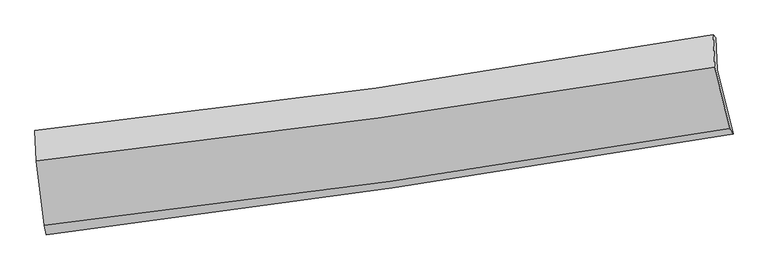
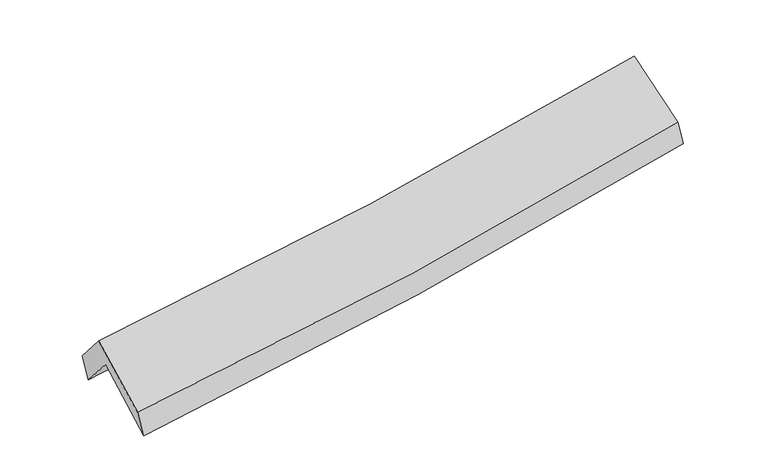
"""IFC4 building model written with IfcOpenShell, lengths in millimetres: proxy geometry."""

from ifc_helpers import new_model, si_unit, frame, origin, place, context, project, spatial, source, transform, mapped, element, save
from ifc_brep_helpers import plane_surface, spline_curve, spline_surface, advanced_brep


def generic_models_e724b320(model_context):
    return source(origin(), model_context, "Body", "AdvancedBrep", [
        advanced_brep(
        [(-2693.9305361, -2501.2873757, 1474.3195098), (-2758.2055916, -1993.678139, 1893.2131351), (2693.8516346, -1173.2712602, 2362.3824202), (2820.4180468, -1691.567574, 1945.9019499), (-2770.1695824, -1733.5614351, 1585.0513943), (2682.6609554, -915.8943335, 2041.33047), (-2785.0018203, -1662.3286656, 1788.7314315), (2660.5521707, -893.8280343, 2229.911892), (-2773.6671407, -1908.7631169, 2080.6837296), (2673.4171259, -1153.1403428, 2537.1299123), (-2708.3655195, -2427.6314717, 1662.4476406), (2794.159213, -1648.7112335, 2141.7190078)],
        [
            (0, 1),
            (1, 2, spline_curve(3, [(-2758.2055916, -1993.678139, 1893.2131351), (-1841.635288352, -1866.991673308, 1943.408201874), (-927.154522114, -1734.978614395, 2007.821916695), (890.163838361, -1461.422859723, 2164.443367127), (1793.035480591, -1319.966958999, 2256.419413629), (2693.8516346, -1173.2712602, 2362.3824202)], [4, 2, 4], [0.0, 9.165508833680564, 18.256036386484457])),
            (2, 3),
            (3, 0, spline_curve(3, [(2820.4180468, -1691.567574, 1945.9019499), (1911.844851998, -1845.336031403, 1836.721278983), (999.930365758, -1989.459546815, 1742.930344112), (-838.130481352, -2259.525912065, 1585.481272701), (-1764.332189481, -2385.308997197, 1522.078060478), (-2693.9305361, -2501.2873757, 1474.3195098)], [4, 2, 4], [0.0, 9.090527552803893, 18.256036386484457])),
            (1, 4),
            (4, 5, spline_curve(3, [(-2770.1695824, -1733.5614351, 1585.0513943), (-1853.135269715, -1610.013632561, 1630.996561989), (-938.358478653, -1479.793653502, 1692.211029069), (879.214915226, -1207.129231928, 1844.552862815), (1782.048303222, -1064.793510325, 1935.431420869), (2682.6609554, -915.8943335, 2041.33047)], [4, 2, 4], [0.0, 9.115309763189922, 18.156048914531212])),
            (5, 2),
            (4, 6),
            (6, 7, spline_curve(3, [(-2785.0018203, -1662.3286656, 1788.7314315), (-1868.931706642, -1563.624424869, 1844.573987286), (-955.246405092, -1449.906139471, 1909.448248381), (859.899398873, -1193.49461299, 2056.655570594), (1761.398760958, -1051.046021478, 2138.841462998), (2660.5521707, -893.8280343, 2229.911892)], [4, 2, 4], [0.0, 9.10197606082946, 18.129490590287972])),
            (7, 5),
            (6, 8),
            (8, 9, spline_curve(3, [(-2773.6671407, -1908.7631169, 2080.6837296), (-1857.748616884, -1803.534190277, 2128.852585667), (-944.010225968, -1687.648949272, 2191.188370497), (871.649005, -1435.601049679, 2343.567943982), (1773.605369593, -1299.612032888, 2433.380886578), (2673.4171259, -1153.1403428, 2537.1299123)], [4, 2, 4], [0.0, 9.09033184376962, 18.106297415288743])),
            (9, 7),
            (8, 10),
            (10, 11, spline_curve(3, [(-2708.3655195, -2427.6314717, 1662.4476406), (-1780.697522987, -2321.212817197, 1710.13469499), (-856.450457161, -2202.7777192, 1774.148324065), (977.668710651, -1942.941835397, 1934.171482844), (1887.596555534, -1801.736853958, 2029.914976417), (2794.159213, -1648.7112335, 2141.7190078)], [4, 2, 4], [0.0, 9.140839458183702, 18.206899450949837])),
            (11, 9),
            (10, 0),
            (3, 11),
        ],
        [
            spline_surface(3, 3, [[(-2693.9305361, -2501.2873757, 1474.3195098), (-1764.332189563, -2385.308997178, 1522.078060454), (-838.13048136, -2259.525912064, 1585.48127259), (999.930365766, -1989.459546817, 1742.930344222), (1911.844851851, -1845.336031357, 1836.721278838), (2820.4180468, -1691.567574, 1945.9019499)], [(-2715.355554602, -2332.084296827, 1613.95071821), (-1790.099889196, -2212.536555923, 1662.521440888), (-867.805161593, -2084.67681285, 1726.261487316), (963.34152328, -1813.447317742, 1883.43468514), (1872.241728105, -1670.21300722, 1976.620657139), (2778.22924272, -1518.802136063, 2084.728773333)], [(-2736.780573098, -2162.881217873, 1753.58192669), (-1815.867588824, -2039.764114588, 1802.964821391), (-897.479841828, -1909.827713688, 1867.041702081), (926.752680793, -1637.43508872, 2023.939026097), (1832.638604398, -1495.089983093, 2116.520035439), (2736.04043868, -1346.036698137, 2223.555596767)], [(-2758.2055916, -1993.678139, 1893.2131351), (-1841.635288457, -1866.991673333, 1943.408201825), (-927.15452206, -1734.978614474, 2007.821916808), (890.163838308, -1461.422859645, 2164.443367015), (1793.035480653, -1319.966958956, 2256.419413739), (2693.8516346, -1173.2712602, 2362.3824202)]], [4, 4], [4, 2, 4], [0.0, 2.2368868456027275], [0.0, 9.165508833680564, 18.256036386484457]),
            spline_surface(3, 3, [[(-2758.2055916, -1993.678139, 1893.2131351), (-1841.635288457, -1866.991673333, 1943.408201825), (-927.15452206, -1734.978614474, 2007.821916808), (890.163838308, -1461.422859645, 2164.443367015), (1793.035480653, -1319.966958956, 2256.419413739), (2693.8516346, -1173.2712602, 2362.3824202)], [(-2762.193588531, -1906.972571002, 1790.492554852), (-1845.468615584, -1781.332326337, 1839.270988561), (-930.889174223, -1649.916960824, 1902.61828756), (886.51419723, -1376.658317075, 2057.813198951), (1789.373088116, -1234.909142742, 2149.423416163), (2690.121408182, -1087.478951304, 2255.365103464)], [(-2766.181585469, -1820.267003098, 1687.771974548), (-1849.301942717, -1695.672979437, 1735.133775243), (-934.623826363, -1564.855307159, 1797.414658311), (882.864556177, -1291.89377449, 1951.183030885), (1785.710695634, -1149.851326515, 2042.427418595), (2686.391181818, -1001.686642396, 2148.347786736)], [(-2770.1695824, -1733.5614351, 1585.0513943), (-1853.135269844, -1610.013632442, 1630.996561979), (-938.358478526, -1479.793653509, 1692.211029063), (879.214915099, -1207.129231921, 1844.552862821), (1782.048303097, -1064.793510301, 1935.431421019), (2682.6609554, -915.8943335, 2041.33047)]], [4, 4], [4, 2, 4], [0.0, 1.3365991128721166], [0.0, 9.115309763189922, 18.156048914531212]),
            spline_surface(3, 3, [[(-2770.1695824, -1733.5614351, 1585.0513943), (-1853.135269844, -1610.013632442, 1630.996561979), (-938.358478526, -1479.793653509, 1692.211029063), (879.214915099, -1207.129231921, 1844.552862821), (1782.048303097, -1064.793510301, 1935.431421019), (2682.6609554, -915.8943335, 2041.33047)], [(-2775.11366171, -1709.817178612, 1652.944740033), (-1858.400748809, -1594.550563306, 1702.189037042), (-943.987787348, -1469.831148816, 1764.623435468), (872.776409697, -1202.584358972, 1915.25376543), (1775.165122359, -1060.211014051, 2003.234768383), (2675.291360511, -908.538900436, 2104.190944025)], [(-2780.05774099, -1686.072922088, 1720.838085767), (-1863.666227743, -1579.087494135, 1773.381512107), (-949.61709623, -1459.868644101, 1837.035841898), (866.337904235, -1198.039486001, 1985.954668063), (1768.281941589, -1055.628517793, 2071.038115673), (2667.921765589, -901.183467364, 2167.051417975)], [(-2785.0018203, -1662.3286656, 1788.7314315), (-1868.931706708, -1563.624424999, 1844.57398717), (-955.246405051, -1449.906139408, 1909.448248302), (859.899398833, -1193.494613052, 2056.655570672), (1761.39876085, -1051.046021543, 2138.841463037), (2660.5521707, -893.8280343, 2229.911892)]], [4, 4], [4, 2, 4], [0.0, 0.7104809885233135], [0.0, 9.10197606082946, 18.129490590287972]),
            spline_surface(3, 3, [[(-2785.0018203, -1662.3286656, 1788.7314315), (-1868.931706708, -1563.624424999, 1844.57398717), (-955.246405051, -1449.906139408, 1909.448248302), (859.899398833, -1193.494613052, 2056.655570672), (1761.39876085, -1051.046021543, 2138.841463037), (2660.5521707, -893.8280343, 2229.911892)], [(-2781.223593756, -1744.473482699, 1886.048864181), (-1865.204010047, -1643.594346799, 1939.333519994), (-951.501012015, -1529.153742664, 2003.361622403), (863.815934215, -1274.196758625, 2152.293028424), (1765.467630476, -1133.901358684, 2237.021270869), (2664.840489102, -980.265470471, 2332.317898747)], [(-2777.445367244, -1826.618299801, 1983.366296919), (-1861.476313416, -1723.564268604, 2034.093052876), (-947.75561898, -1608.401345922, 2097.274996477), (867.732469595, -1354.8989042, 2247.93048615), (1769.536500098, -1216.756695812, 2335.201078759), (2669.128807498, -1066.702906629, 2434.723905553)], [(-2773.6671407, -1908.7631169, 2080.6837296), (-1857.748616754, -1803.534190404, 2128.8525857), (-944.010225944, -1687.648949178, 2191.188370577), (871.649004976, -1435.601049772, 2343.567943903), (1773.605369724, -1299.612032953, 2433.380886591), (2673.4171259, -1153.1403428, 2537.1299123)]], [4, 4], [4, 2, 4], [0.0, 1.221058135295125], [0.0, 9.09033184376962, 18.106297415288743]),
            spline_surface(3, 3, [[(-2773.6671407, -1908.7631169, 2080.6837296), (-1857.748616754, -1803.534190404, 2128.8525857), (-944.010225944, -1687.648949178, 2191.188370577), (871.649004976, -1435.601049772, 2343.567943903), (1773.605369724, -1299.612032953, 2433.380886591), (2673.4171259, -1153.1403428, 2537.1299123)], [(-2751.899933654, -2081.719235178, 1941.271699935), (-1832.064918883, -1976.093732657, 1989.27995549), (-914.823636356, -1859.358539159, 2052.175021711), (906.988906868, -1604.714644995, 2207.102456909), (1811.602431675, -1466.986973318, 2298.892249873), (2713.664488272, -1318.330639685, 2405.326277491)], [(-2730.132726546, -2254.675353422, 1801.859670265), (-1806.381220951, -2148.653274876, 1849.707325275), (-885.63704676, -2031.068129157, 1913.161672848), (942.328808769, -1773.828240236, 2070.63696992), (1849.59949361, -1634.361913727, 2164.403613083), (2753.911850628, -1483.520936615, 2273.522642609)], [(-2708.3655195, -2427.6314717, 1662.4476406), (-1780.69752308, -2321.21281713, 1710.134695066), (-856.450457172, -2202.777719138, 1774.148323982), (977.668710662, -1942.941835459, 1934.171482926), (1887.596555561, -1801.736854092, 2029.914976364), (2794.159213, -1648.7112335, 2141.7190078)]], [4, 4], [4, 2, 4], [0.0, 2.1800246362040636], [0.0, 9.140839458183702, 18.206899450949837]),
            spline_surface(3, 3, [[(-2708.3655195, -2427.6314717, 1662.4476406), (-1780.69752308, -2321.21281713, 1710.134695066), (-856.450457172, -2202.777719138, 1774.148323982), (977.668710662, -1942.941835459, 1934.171482926), (1887.596555561, -1801.736854092, 2029.914976364), (2794.159213, -1648.7112335, 2141.7190078)], [(-2703.553858347, -2452.183439683, 1599.738263689), (-1775.242411888, -2342.578210463, 1647.449150217), (-850.343798579, -2221.693783458, 1711.259306864), (985.089262353, -1958.447739256, 1870.424436704), (1895.679321004, -1816.269913188, 1965.517077162), (2802.912157614, -1662.996680341, 2076.44665514)], [(-2698.742197253, -2476.735407717, 1537.028886711), (-1769.787300755, -2363.943603845, 1584.763605302), (-844.237139954, -2240.609847744, 1648.370289708), (992.509814075, -1973.953643019, 1806.677390444), (1903.762086407, -1830.802972261, 1901.11917804), (2811.665102186, -1677.282127159, 2011.17430256)], [(-2693.9305361, -2501.2873757, 1474.3195098), (-1764.332189563, -2385.308997178, 1522.078060454), (-838.13048136, -2259.525912064, 1585.48127259), (999.930365766, -1989.459546817, 1742.930344222), (1911.844851851, -1845.336031357, 1836.721278838), (2820.4180468, -1691.567574, 1945.9019499)]], [4, 4], [4, 2, 4], [0.0, 0.6492410740465349], [0.0, 9.202883876261435, 18.330480713546308]),
            plane_surface(frame((2720.8431911, -1246.0687964, 2209.7292754), z_axis=(0.982004365855716, 0.16257747553577048, 0.09610405760803956), x_axis=(0.18708600449860427, -0.7678712542872014, -0.6126765572144478))),
            plane_surface(frame((-2748.2233651, -2037.875034, 1747.4078068), z_axis=(-0.9948623502911034, -0.09303863688702288, -0.039908846381056726), x_axis=(-0.07126692199873641, 0.36364638560638873, 0.9288069401464633))),
        ],
        [
            (0, [[1, 2, 3, 4]]),
            (1, [[5, 6, 7, -2]]),
            (2, [[8, 9, 10, -6]]),
            (3, [[11, 12, 13, -9]]),
            (4, [[14, 15, 16, -12]]),
            (5, [[17, -4, 18, -15]]),
            (6, [[-16, -18, -3, -7, -10, -13]]),
            (7, [[-17, -14, -11, -8, -5, -1]]),
        ],
    ),
    ])


if __name__ == "__main__":
    model = new_model("IFC4")
    model_context = context("Model", 3, world=origin())
    ifc_project = project(units=[si_unit("LENGTHUNIT", "METRE", prefix="MILLI")], contexts=[model_context])
    site = spatial("IfcSite", under=ifc_project)
    building = spatial("IfcBuilding", under=site)
    placement = place(None, origin())
    generic_models_shape = generic_models_e724b320(model_context)
    element("IfcBuildingElementProxy", 1, Name="Generic Models", at=placement, inside=building, context=model_context, shape_type="MappedRepresentation", body=[
        mapped(generic_models_shape, transform((0.0, 0.0, 0.0), x_axis=(1.0, 0.0, 0.0), y_axis=(0.0, 1.0, 0.0), z_axis=(0.0, 0.0, 1.0))),
    ])
    save(model, "model.ifc")
